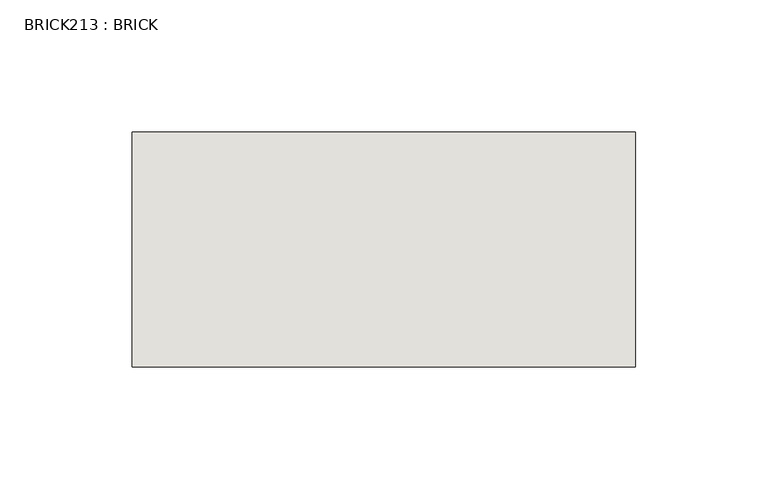
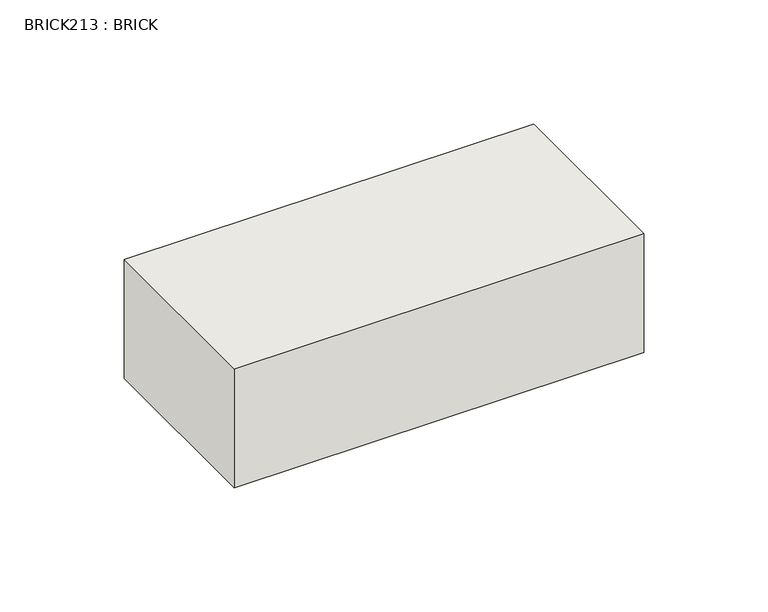
"""IFC4 building model written with IfcOpenShell, lengths in millimetres: wall geometry, BRICK213 : BRICK."""

from ifc_helpers import new_model, si_unit, frame, origin, place, context, project, spatial, polyline, outline, extrude, source, transform, mapped, element, save


def brick213_brick_cbf29887(model_context):
    return source(origin(), model_context, "Body", "SweptSolid", [
        extrude(outline(polyline([(-1175.1316239, 3062.3923312), (-984.6316239, 3062.3923312), (-984.6316239, 2973.4923312), (-1175.1316239, 2973.4923312), (-1175.1316239, 3062.3923312)])), frame((0.0, 0.0, 214.0148438), z_axis=(0.0, 0.0, 1.0), x_axis=(1.0, 0.0, 0.0)), (0.0, 0.0, 1.0), 58.4398437),
    ])


if __name__ == "__main__":
    model = new_model("IFC4")
    model_context = context("Model", 3, world=origin())
    ifc_project = project(units=[si_unit("LENGTHUNIT", "METRE", prefix="MILLI")], contexts=[model_context])
    site = spatial("IfcSite", under=ifc_project)
    building = spatial("IfcBuilding", under=site)
    placement = place(None, origin())
    brick213_brick_shape = brick213_brick_cbf29887(model_context)
    element("IfcWall", 1, ObjectType="BRICK213 : BRICK", at=placement, inside=building, context=model_context, shape_type="MappedRepresentation", body=[
        mapped(brick213_brick_shape, transform((0.0, 0.0, 0.0), x_axis=(1.0, 0.0, 0.0), y_axis=(0.0, 1.0, 0.0), z_axis=(0.0, 0.0, 1.0))),
    ])
    save(model, "model.ifc")
